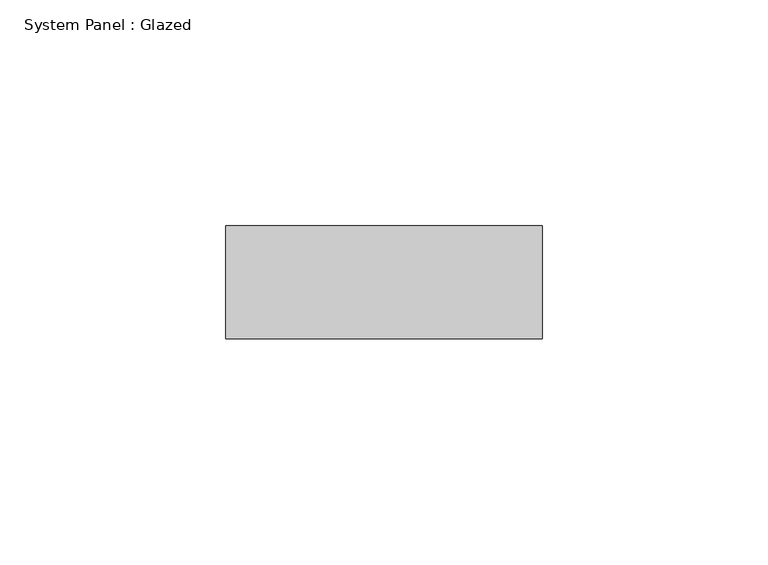
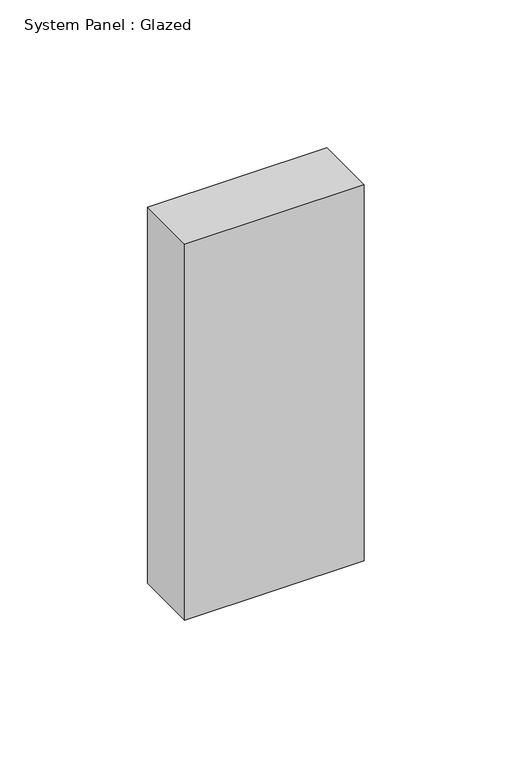
"""IFC4 building model written with IfcOpenShell, lengths in millimetres: plate geometry, System Panel : Glazed."""

from ifc_helpers import new_model, si_unit, origin, origin_with_axes, place, context, project, spatial, polyline, outline, extrude, source, transform, mapped, element, save


def system_panel_glazed_8e9fdfc2(model_context):
    return source(origin(), model_context, "Body", "SweptSolid", [
        extrude(outline(polyline([(35.0, -49.5), (-35.0, -49.5), (-35.0, -24.5), (35.0, -24.5), (35.0, -49.5)])), origin_with_axes(), (0.0, 0.0, 1.0), 155.0),
    ])


if __name__ == "__main__":
    model = new_model("IFC4")
    model_context = context("Model", 3, world=origin())
    ifc_project = project(units=[si_unit("LENGTHUNIT", "METRE", prefix="MILLI")], contexts=[model_context])
    site = spatial("IfcSite", under=ifc_project)
    building = spatial("IfcBuilding", under=site)
    placement = place(None, origin())
    system_panel_glazed_shape = system_panel_glazed_8e9fdfc2(model_context)
    element("IfcPlate", 1, ObjectType="System Panel : Glazed", at=placement, inside=building, context=model_context, shape_type="MappedRepresentation", body=[
        mapped(system_panel_glazed_shape, transform((0.0, 0.0, 0.0), x_axis=(1.0, 0.0, 0.0), y_axis=(0.0, 1.0, 0.0), z_axis=(0.0, 0.0, 1.0))),
    ])
    save(model, "model.ifc")
